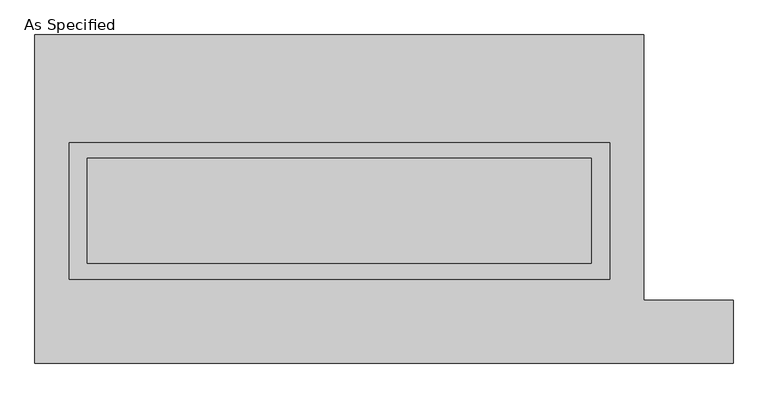
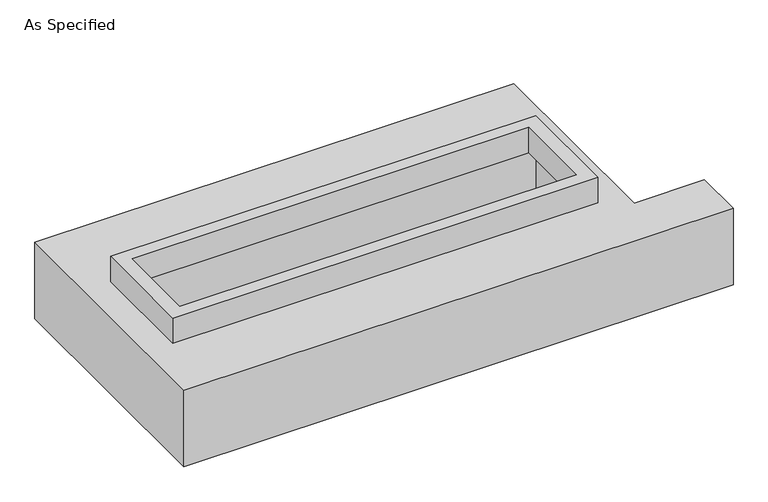
"""IFC4 building model written with IfcOpenShell, lengths in millimetres: proxy geometry, As Specified."""

from ifc_helpers import new_model, si_unit, frame, origin, place, context, project, spatial, polyline, outline, extrude, faceted_brep, source, transform, mapped, element, save


def as_specified_5bf1336b(model_context):
    return source(origin(), model_context, "Body", "SolidModel", [
        extrude(outline(polyline([(1308.1, 273.05), (1308.1, -387.35), (-1308.1, -387.35), (-1308.1, 273.05), (1308.1, 273.05)]), holes=[polyline([(1219.2, 196.85), (-1219.2, 196.85), (-1219.2, -311.15), (1219.2, -311.15), (1219.2, 196.85)])]), frame((0.0, 0.0, -25.4), z_axis=(0.0, 0.0, 1.0), x_axis=(1.0, 0.0, 0.0)), (0.0, 0.0, 1.0), 165.1),
        faceted_brep([(-1473.2, 793.75, -523.875), (1473.2, 793.75, -523.875), (1473.2, -488.95, -523.875), (1905.0, -488.95, -523.875), (1905.0, -793.75, -523.875), (-1473.2, -793.75, -523.875), (1473.2, 793.75, -25.4), (-1473.2, 793.75, -25.4), (-1473.2, -793.75, -25.4), (1905.0, -793.75, -25.4), (1905.0, -488.95, -25.4), (1473.2, -488.95, -25.4), (-1308.1, -387.35, -25.4), (-1308.1, 273.05, -25.4), (1308.1, 273.05, -25.4), (1308.1, -387.35, -25.4), (1308.1, 273.05, -498.475), (-1308.1, 273.05, -498.475), (-1308.1, -387.35, -498.475), (1308.1, -387.35, -498.475)], [[[0, 1, 2, 3, 4, 5]], [[6, 7, 8, 9, 10, 11], [12, 13, 14, 15]], [[1, 0, 7, 6]], [[7, 0, 5, 8]], [[1, 6, 11, 2]], [[16, 17, 18, 19]], [[18, 17, 13, 12]], [[17, 16, 14, 13]], [[16, 19, 15, 14]], [[19, 18, 12, 15]], [[5, 4, 9, 8]], [[3, 2, 11, 10]], [[4, 3, 10, 9]]]),
    ])


if __name__ == "__main__":
    model = new_model("IFC4")
    model_context = context("Model", 3, world=origin())
    ifc_project = project(units=[si_unit("LENGTHUNIT", "METRE", prefix="MILLI")], contexts=[model_context])
    site = spatial("IfcSite", under=ifc_project)
    building = spatial("IfcBuilding", under=site)
    placement = place(None, origin())
    as_specified_shape = as_specified_5bf1336b(model_context)
    element("IfcBuildingElementProxy", 1, Name="As Specified", ObjectType="As Specified", at=placement, inside=building, context=model_context, shape_type="MappedRepresentation", body=[
        mapped(as_specified_shape, transform((0.0, 0.0, 0.0), x_axis=(1.0, 0.0, 0.0), y_axis=(0.0, 1.0, 0.0), z_axis=(0.0, 0.0, 1.0))),
    ])
    save(model, "model.ifc")
